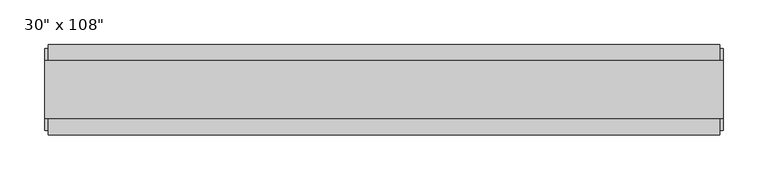
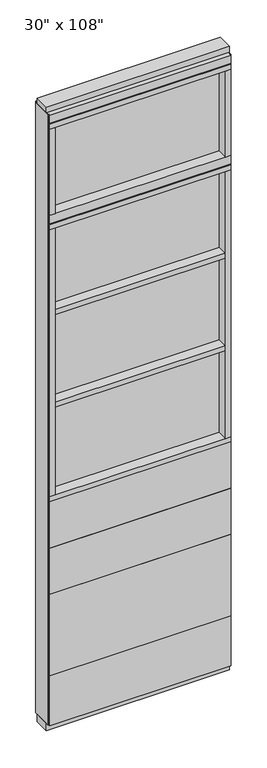
"""IFC4 building model written with IfcOpenShell, lengths in millimetres: furniture geometry."""

from ifc_helpers import new_model, si_unit, frame, origin, origin_with_axes, place, context, project, spatial, polyline, outline, extrude, source, transform, mapped, element, save


def furniture_5b63e96d(model_context):
    return source(origin(), model_context, "Body", "SweptSolid", [
        extrude(outline(polyline([(317.0264771, 46.2822784), (317.0264771, 33.5822784), (-437.0995229, 33.5822784), (-437.0995229, 46.2822784), (317.0264771, 46.2822784)])), frame((0.0, 0.0, 812.8), z_axis=(0.0, 0.0, 1.0), x_axis=(1.0, 0.0, 0.0)), (0.0, 0.0, 1.0), 203.2),
        extrude(outline(polyline([(317.0264771, 46.2822784), (317.0264771, 33.5822784), (-437.0995229, 33.5822784), (-437.0995229, 46.2822784), (317.0264771, 46.2822784)])), frame((0.0, 0.0, 609.6), z_axis=(0.0, 0.0, 1.0), x_axis=(1.0, 0.0, 0.0)), (0.0, 0.0, 1.0), 203.2),
        extrude(outline(polyline([(317.0264771, 46.2822784), (317.0264771, 33.5822784), (-437.0995229, 33.5822784), (-437.0995229, 46.2822784), (317.0264771, 46.2822784)])), frame((0.0, 0.0, 249.936), z_axis=(0.0, 0.0, 1.0), x_axis=(1.0, 0.0, 0.0)), (0.0, 0.0, 1.0), 359.664),
        extrude(outline(polyline([(317.0264771, -55.3177216), (-437.0995229, -55.3177216), (-437.0995229, -42.6177216), (317.0264771, -42.6177216), (317.0264771, -55.3177216)])), frame((0.0, 0.0, 812.8), z_axis=(0.0, 0.0, 1.0), x_axis=(1.0, 0.0, 0.0)), (0.0, 0.0, 1.0), 203.2),
        extrude(outline(polyline([(317.0264771, -55.3177216), (-437.0995229, -55.3177216), (-437.0995229, -42.6177216), (317.0264771, -42.6177216), (317.0264771, -55.3177216)])), frame((0.0, 0.0, 609.6), z_axis=(0.0, 0.0, 1.0), x_axis=(1.0, 0.0, 0.0)), (0.0, 0.0, 1.0), 203.2),
        extrude(outline(polyline([(317.0264771, -55.3177216), (-437.0995229, -55.3177216), (-437.0995229, -42.6177216), (317.0264771, -42.6177216), (317.0264771, -55.3177216)])), frame((0.0, 0.0, 249.936), z_axis=(0.0, 0.0, 1.0), x_axis=(1.0, 0.0, 0.0)), (0.0, 0.0, 1.0), 359.664),
        extrude(outline(polyline([(-414.8745229, -52.3332216), (-414.8745229, 43.2977784), (294.8014771, 43.2977784), (294.8014771, -52.3332216), (-414.8745229, -52.3332216)])), frame((0.0, 0.0, 1828.8), z_axis=(0.0, 0.0, 1.0), x_axis=(1.0, 0.0, 0.0)), (0.0, 0.0, 1.0), 22.225),
        extrude(outline(polyline([(-414.8745229, -52.3332216), (-414.8745229, 43.2977784), (294.8014771, 43.2977784), (294.8014771, -52.3332216), (-414.8745229, -52.3332216)])), frame((0.0, 0.0, 1422.4), z_axis=(0.0, 0.0, 1.0), x_axis=(1.0, 0.0, 0.0)), (0.0, 0.0, 1.0), 22.225),
        extrude(outline(polyline([(294.8014771, -9.5977216), (-414.8745229, -9.5977216), (-414.8745229, 0.5622784), (294.8014771, 0.5622784), (294.8014771, -9.5977216)])), frame((0.0, 0.0, 1038.225), z_axis=(0.0, 0.0, 1.0), x_axis=(1.0, 0.0, 0.0)), (0.0, 0.0, 1.0), 1177.925),
        extrude(outline(polyline([(317.0264771, 46.2822784), (317.0264771, 33.5822784), (-437.0995229, 33.5822784), (-437.0995229, 46.2822784), (317.0264771, 46.2822784)])), frame((0.0, 0.0, 31.75), z_axis=(0.0, 0.0, 1.0), x_axis=(1.0, 0.0, 0.0)), (0.0, 0.0, 1.0), 218.186),
        extrude(outline(polyline([(317.0264771, -55.3177216), (-437.0995229, -55.3177216), (-437.0995229, -42.6177216), (317.0264771, -42.6177216), (317.0264771, -55.3177216)])), frame((0.0, 0.0, 31.75), z_axis=(0.0, 0.0, 1.0), x_axis=(1.0, 0.0, 0.0)), (0.0, 0.0, 1.0), 218.186),
        extrude(outline(polyline([(294.8014771, -9.5977216), (-414.8745229, -9.5977216), (-414.8745229, 0.5622784), (294.8014771, 0.5622784), (294.8014771, -9.5977216)])), frame((0.0, 0.0, 2276.475), z_axis=(0.0, 0.0, 1.0), x_axis=(1.0, 0.0, 0.0)), (0.0, 0.0, 1.0), 377.825),
        extrude(outline(polyline([(294.8014771, -55.3177216), (294.8014771, 46.2822784), (317.0264771, 46.2822784), (317.0264771, -55.3177216), (294.8014771, -55.3177216)])), frame((0.0, 0.0, 2276.475), z_axis=(0.0, 0.0, 1.0), x_axis=(1.0, 0.0, 0.0)), (0.0, 0.0, 1.0), 377.825),
        extrude(outline(polyline([(-414.8745229, -55.3177216), (-437.0995229, -55.3177216), (-437.0995229, 46.2822784), (-414.8745229, 46.2822784), (-414.8745229, -55.3177216)])), frame((0.0, 0.0, 2276.475), z_axis=(0.0, 0.0, 1.0), x_axis=(1.0, 0.0, 0.0)), (0.0, 0.0, 1.0), 377.825),
        extrude(outline(polyline([(317.0264771, 46.2822784), (317.0264771, -55.3177216), (-437.0995229, -55.3177216), (-437.0995229, 46.2822784), (317.0264771, 46.2822784)])), frame((0.0, 0.0, 2212.975), z_axis=(0.0, 0.0, 1.0), x_axis=(1.0, 0.0, 0.0)), (0.0, 0.0, 1.0), 22.225),
        extrude(outline(polyline([(-55.3177216, 2240.153), (-55.3177216, 2276.475), (46.2822784, 2276.475), (46.2822784, 2240.153), (41.3292784, 2240.153), (41.3292784, 2235.2), (-50.3647216, 2235.2), (-50.3647216, 2240.153), (-55.3177216, 2240.153)])), frame((-437.0995229, 0.0, 0.0), z_axis=(1.0, 0.0, 0.0), x_axis=(0.0, 1.0, 0.0)), (0.0, 0.0, 1.0), 754.126),
        extrude(outline(polyline([(294.8014771, -55.3177216), (294.8014771, 46.2822784), (317.0264771, 46.2822784), (317.0264771, -55.3177216), (294.8014771, -55.3177216)])), frame((0.0, 0.0, 1038.225), z_axis=(0.0, 0.0, 1.0), x_axis=(1.0, 0.0, 0.0)), (0.0, 0.0, 1.0), 1174.75),
        extrude(outline(polyline([(-437.0995229, -55.3177216), (-437.0995229, 46.2822784), (317.0264771, 46.2822784), (317.0264771, -55.3177216), (-437.0995229, -55.3177216)])), frame((0.0, 0.0, 1016.0), z_axis=(0.0, 0.0, 1.0), x_axis=(1.0, 0.0, 0.0)), (0.0, 0.0, 1.0), 22.225),
        extrude(outline(polyline([(-414.8745229, -55.3177216), (-437.0995229, -55.3177216), (-437.0995229, 46.2822784), (-414.8745229, 46.2822784), (-414.8745229, -55.3177216)])), frame((0.0, 0.0, 1038.225), z_axis=(0.0, 0.0, 1.0), x_axis=(1.0, 0.0, 0.0)), (0.0, 0.0, 1.0), 1174.75),
        extrude(outline(polyline([(320.9634771, 27.9942784), (320.9634771, -37.0297216), (-441.0365229, -37.0297216), (-441.0365229, 27.9942784), (320.9634771, 27.9942784)])), origin_with_axes(), (0.0, 0.0, 1.0), 31.75),
        extrude(outline(polyline([(-441.0365229, -37.0297216), (-441.0365229, 27.9942784), (320.9634771, 27.9942784), (320.9634771, -37.0297216), (-441.0365229, -37.0297216)])), frame((0.0, 0.0, 2717.8), z_axis=(0.0, 0.0, 1.0), x_axis=(1.0, 0.0, 0.0)), (0.0, 0.0, 1.0), 25.4),
        extrude(outline(polyline([(-55.3177216, 2681.478), (-55.3177216, 2717.8), (46.2822784, 2717.8), (46.2822784, 2681.478), (41.3292784, 2681.478), (41.3292784, 2676.525), (-50.3647216, 2676.525), (-50.3647216, 2681.478), (-55.3177216, 2681.478)])), frame((-437.0995229, 0.0, 0.0), z_axis=(1.0, 0.0, 0.0), x_axis=(0.0, 1.0, 0.0)), (0.0, 0.0, 1.0), 754.126),
        extrude(outline(polyline([(317.0264771, 46.2822784), (317.0264771, -55.3177216), (-437.0995229, -55.3177216), (-437.0995229, 46.2822784), (317.0264771, 46.2822784)])), frame((0.0, 0.0, 2654.3), z_axis=(0.0, 0.0, 1.0), x_axis=(1.0, 0.0, 0.0)), (0.0, 0.0, 1.0), 22.225),
        extrude(outline(polyline([(320.9634771, -50.3647216), (317.0264771, -50.3647216), (317.0264771, 41.3292784), (320.9634771, 41.3292784), (320.9634771, -50.3647216)])), frame((0.0, 0.0, 31.75), z_axis=(0.0, 0.0, 1.0), x_axis=(1.0, 0.0, 0.0)), (0.0, 0.0, 1.0), 2686.05),
        extrude(outline(polyline([(-441.0365229, -50.3647216), (-441.0365229, 41.3292784), (-437.0995229, 41.3292784), (-437.0995229, -50.3647216), (-441.0365229, -50.3647216)])), frame((0.0, 0.0, 31.75), z_axis=(0.0, 0.0, 1.0), x_axis=(1.0, 0.0, 0.0)), (0.0, 0.0, 1.0), 2686.05),
    ])


if __name__ == "__main__":
    model = new_model("IFC4")
    model_context = context("Model", 3, world=origin())
    ifc_project = project(units=[si_unit("LENGTHUNIT", "METRE", prefix="MILLI")], contexts=[model_context])
    site = spatial("IfcSite", under=ifc_project)
    building = spatial("IfcBuilding", under=site)
    placement = place(None, origin())
    furniture_shape = furniture_5b63e96d(model_context)
    element("IfcFurniture", 1, ObjectType="30\" x 108\"", at=placement, inside=building, context=model_context, shape_type="MappedRepresentation", body=[
        mapped(furniture_shape, transform((0.0, 0.0, 0.0), x_axis=(1.0, 0.0, 0.0), y_axis=(0.0, 1.0, 0.0), z_axis=(0.0, 0.0, 1.0))),
    ])
    save(model, "model.ifc")
